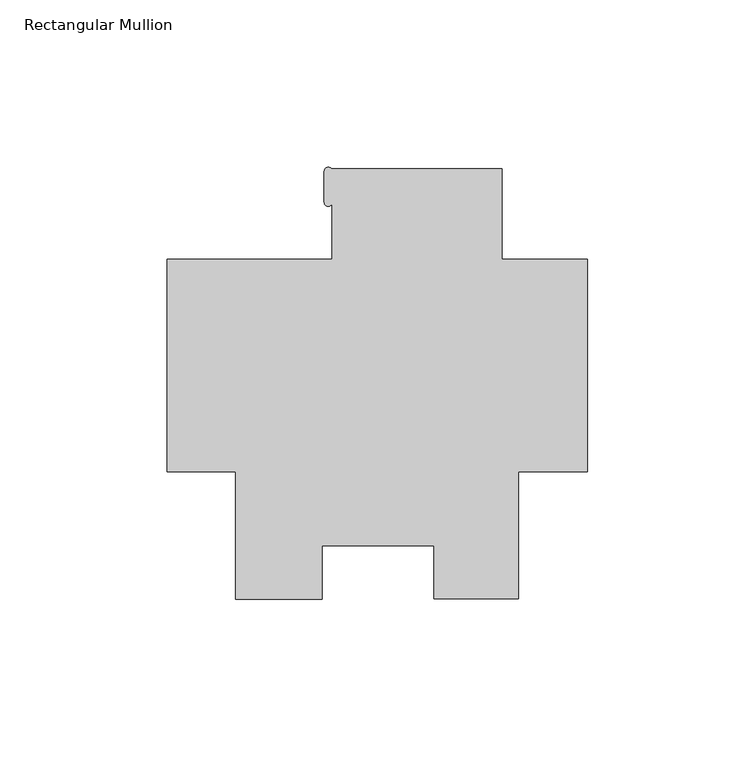
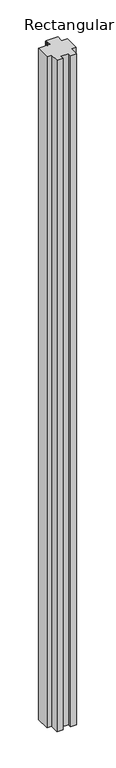
"""IFC4 building model written with IfcOpenShell, lengths in millimetres: member geometry, Rectangular Mullion."""

from ifc_helpers import new_model, si_unit, point, frame, frame_2d, origin, place, context, project, spatial, polyline, circle_curve, trimmed, segment, composite_curve, outline, extrude, source, transform, mapped, element, save


def rectangular_mullion_a6185ab0(model_context):
    return source(origin(), model_context, "Body", "SweptSolid", [
        extrude(outline(composite_curve([segment(polyline([(-25.577927, 42.0560501), (-25.577927, 15.0812501), (0.0, 15.0812501), (0.0, -48.41875), (-20.6735973, -48.41875), (-20.6735973, -86.51875), (-45.9670891, -86.51875), (-45.9670891, -70.6312251), (-79.3689318, -70.6312251), (-79.3689318, -86.5419534), (-105.2447888, -86.5419534), (-105.2447888, -48.41875), (-125.7808, -48.41875), (-125.7808, 15.0812501), (-76.377927, 15.0812501), (-76.377927, 32.0355135)]), True, "CONTINUOUS"), segment(trimmed(circle_curve(frame_2d((-77.571473, 32.0601384)), 1.1938), [point((-76.377927, 32.0355135))], [point((-78.765273, 32.0601384))], False, "CARTESIAN"), True, "CONTINUOUS"), segment(polyline([(-78.765273, 32.0601384), (-78.765273, 41.3854937)]), True, "CONTINUOUS"), segment(trimmed(circle_curve(frame_2d((-77.571473, 41.3854937)), 1.1938), [point((-78.765273, 41.3854937))], [point((-76.5837926, 42.0560501))], False, "CARTESIAN"), True, "CONTINUOUS"), segment(polyline([(-76.5837926, 42.0560501), (-25.577927, 42.0560501)]), True, "CONTINUOUS")], self_intersect=False)), frame((0.0, 0.0, -3048.0), z_axis=(0.0, 0.0, 1.0), x_axis=(1.0, 0.0, 0.0)), (0.0, 0.0, 1.0), 3048.0),
    ])


if __name__ == "__main__":
    model = new_model("IFC4")
    model_context = context("Model", 3, world=origin())
    ifc_project = project(units=[si_unit("LENGTHUNIT", "METRE", prefix="MILLI")], contexts=[model_context])
    site = spatial("IfcSite", under=ifc_project)
    building = spatial("IfcBuilding", under=site)
    placement = place(None, origin())
    rectangular_mullion_shape = rectangular_mullion_a6185ab0(model_context)
    element("IfcMember", 1, ObjectType="Rectangular Mullion", at=placement, inside=building, context=model_context, shape_type="MappedRepresentation", body=[
        mapped(rectangular_mullion_shape, transform((0.0, 0.0, 0.0), x_axis=(1.0, 0.0, 0.0), y_axis=(0.0, 1.0, 0.0), z_axis=(0.0, 0.0, 1.0))),
    ])
    save(model, "model.ifc")
